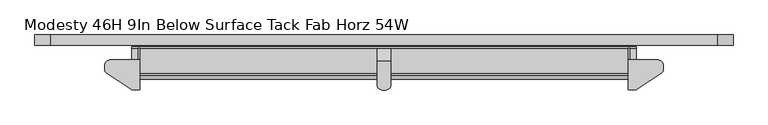
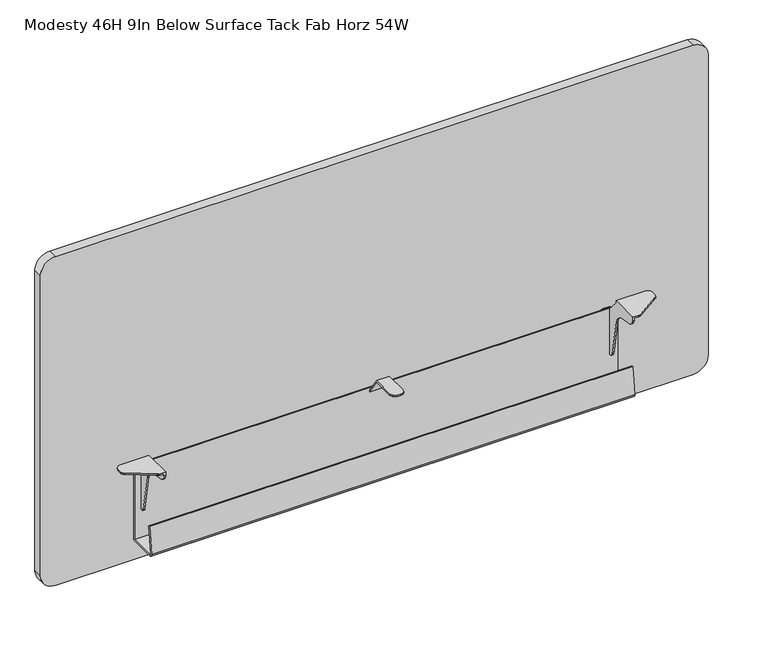
"""IFC4 building model written with IfcOpenShell, lengths in millimetres: furniture geometry, Modesty 46H 9In Below Surface Tack Fab Horz 54W."""

from ifc_helpers import new_model, si_unit, point, frame, frame_2d, origin, place, context, project, spatial, polyline, circle_curve, trimmed, segment, composite_curve, outline, extrude, faceted_brep, source, transform, mapped, element, save


def modesty_46h_9in_below_surface_tack_fab_horz_54w_2923bf15(model_context):
    return source(origin(), model_context, "Body", "SolidModel", [
        faceted_brep([(1202.1570723, -28.1940001, 1036.1420118), (1145.388081, -28.1940001, 1036.1420118), (1145.388081, -84.8360008, 1036.1420118), (1156.4913731, -84.8360008, 1036.1420118), (1158.3360279, -84.6556703, 1036.1420118), (1160.1108288, -84.1215187, 1036.1420118), (1161.748574, -83.2537619, 1036.1420118), (1207.4142732, -53.0282948, 1036.1420118), (1209.6968646, -50.905943, 1036.1420118), (1211.1721197, -48.1603598, 1036.1420118), (1211.6820723, -45.0855338, 1036.1420118), (1211.6820723, -37.7190004, 1036.1420118), (1210.4059692, -32.9564998, 1036.1420118), (1206.9195723, -29.470108, 1036.1420118), (1145.388081, -84.8360008, 1028.5105736), (1148.436069, -84.8360008, 1028.5105736), (1148.436069, -84.8360008, 1033.0940147), (1156.4913731, -84.8360008, 1033.0940147), (1148.436069, 0.0, 910.9200404), (1135.6090812, 0.0, 910.9200404), (1130.8465812, 0.0, 912.1961617), (1127.3601843, 0.0, 915.6825404), (1126.0840812, 0.0, 920.4450404), (1126.0840812, 0.0, 996.6450041), (1127.3601843, 0.0, 1001.4075041), (1130.8465812, 0.0, 1004.8939192), (1135.6090812, 0.0, 1006.1700041), (1148.436069, 0.0, 1006.1700041), (1148.436069, -28.1940001, 1033.0940147), (1202.1570723, -28.1940001, 1033.0940147), (1206.9195723, -29.470108, 1033.0940147), (1210.4059692, -32.9564998, 1033.0940147), (1211.6820723, -37.7190004, 1033.0940147), (1211.6820723, -45.0855338, 1033.0940147), (1211.1721197, -48.1603598, 1033.0940147), (1209.6968646, -50.905943, 1033.0940147), (1207.4142732, -53.0282948, 1033.0940147), (1161.748574, -83.2537619, 1033.0940147), (1160.1108288, -84.1215187, 1033.0940147), (1158.3360279, -84.6556703, 1033.0940147), (1148.436069, -83.485134, 1022.8108488), (1148.436069, -79.719916, 1018.3236227), (1148.436069, -74.3413335, 1016.0035608), (1148.436069, -48.1471565, 1011.3848021), (1148.436069, -38.6002931, 1007.592083), (1148.436069, -31.336431, 1000.3282095), (1148.436069, -27.5437042, 990.7813358), (1148.436069, -14.3872464, 916.1673582), (1148.436069, -13.2271995, 913.4780965), (1148.436069, -10.9835922, 911.5954716), (1148.436069, -8.1337173, 910.9200404), (1148.436069, -5.0799997, 1006.1700041), (1148.436069, -28.1940001, 1031.0620167), (1145.388081, -28.1940001, 1031.0620167), (1145.388081, -5.0799997, 1006.1700041), (1135.6090812, -3.0479994, 1006.1700041), (1145.388081, -3.0479994, 1006.1700041), (1145.388081, -79.719916, 1018.3236227), (1145.388081, -74.3413335, 1016.0035608), (1145.388081, -83.485134, 1022.8108488), (1145.388081, -8.1337173, 910.9200404), (1145.388081, -3.0479994, 910.9200404), (1135.6090812, -3.0479994, 910.9200404), (1145.388081, -10.9835922, 911.5954716), (1145.388081, -13.2271995, 913.4780965), (1145.388081, -14.3872464, 916.1673582), (1145.388081, -27.5437042, 990.7813358), (1145.388081, -31.336431, 1000.3282095), (1145.388081, -38.6002931, 1007.592083), (1145.388081, -48.1471565, 1011.3848021), (1130.8465812, -3.0479994, 1004.8939192), (1127.3601843, -3.0479994, 1001.4075041), (1126.0840812, -3.0479994, 996.6450041), (1126.0840812, -3.0479994, 920.4450404), (1127.3601843, -3.0479994, 915.6825404), (1130.8465812, -3.0479994, 912.1961617)], [[[0, 1, 2, 3, 4, 5, 6, 7, 8, 9, 10, 11, 12, 13]], [[3, 2, 14, 15, 16, 17]], [[18, 19, 20, 21, 22, 23, 24, 25, 26, 27]], [[28, 29, 30, 31, 32, 33, 34, 35, 36, 37, 38, 39, 17, 16]], [[16, 15, 40, 41, 42, 43, 44, 45, 46, 47, 48, 49, 50, 18, 27, 51, 52, 28]], [[29, 28, 52, 53, 1, 0]], [[13, 30, 29, 0]], [[12, 31, 30, 13]], [[11, 32, 31, 12]], [[10, 33, 32, 11]], [[9, 34, 33, 10]], [[8, 35, 34, 9]], [[7, 36, 35, 8]], [[6, 37, 36, 7]], [[5, 38, 37, 6]], [[4, 39, 38, 5]], [[3, 17, 39, 4]], [[51, 54, 53, 52]], [[27, 26, 55, 56, 54, 51]], [[41, 57, 58, 42]], [[40, 59, 57, 41]], [[15, 14, 59, 40]], [[50, 60, 61, 62, 19, 18]], [[49, 63, 60, 50]], [[48, 64, 63, 49]], [[47, 65, 64, 48]], [[46, 66, 65, 47]], [[45, 67, 66, 46]], [[44, 68, 67, 45]], [[43, 69, 68, 44]], [[42, 58, 69, 43]], [[61, 60, 63, 64, 65, 66, 67, 68, 69, 58, 57, 59, 14, 2, 1, 53, 54, 56]], [[56, 55, 70, 71, 72, 73, 74, 75, 62, 61]], [[70, 55, 26, 25]], [[25, 24, 71, 70]], [[24, 23, 72, 71]], [[23, 22, 73, 72]], [[22, 21, 74, 73]], [[21, 20, 75, 74]], [[20, 19, 62, 75]]]),
        faceted_brep([(166.4078114, -28.1940001, 1036.1420118), (161.6453114, -29.470108, 1036.1420118), (158.1589145, -32.9564998, 1036.1420118), (156.8828114, -37.7190004, 1036.1420118), (156.8828114, -45.0855338, 1036.1420118), (157.3927639, -48.1603598, 1036.1420118), (158.8680191, -50.905943, 1036.1420118), (161.1506105, -53.0282948, 1036.1420118), (206.8163097, -83.2537619, 1036.1420118), (208.4540549, -84.1215187, 1036.1420118), (210.2288557, -84.6556703, 1036.1420118), (212.0735106, -84.8360008, 1036.1420118), (223.1768027, -84.8360008, 1036.1420118), (223.1768027, -28.1940001, 1036.1420118), (212.0735106, -84.8360008, 1033.0940147), (220.1288147, -84.8360008, 1033.0940147), (220.1288147, -84.8360008, 1028.5105736), (223.1768027, -84.8360008, 1028.5105736), (220.1288147, 0.0, 910.9200404), (220.1288147, 0.0, 1006.1700041), (232.9558024, 0.0, 1006.1700041), (237.7183024, 0.0, 1004.8939192), (241.2046994, 0.0, 1001.4075041), (242.4808024, 0.0, 996.6450041), (242.4808024, 0.0, 920.4450404), (241.2046994, 0.0, 915.6825404), (237.7183024, 0.0, 912.1961617), (232.9558024, 0.0, 910.9200404), (220.1288147, -28.1940001, 1033.0940147), (210.2288557, -84.6556703, 1033.0940147), (208.4540549, -84.1215187, 1033.0940147), (206.8163097, -83.2537619, 1033.0940147), (161.1506105, -53.0282948, 1033.0940147), (158.8680191, -50.905943, 1033.0940147), (157.3927639, -48.1603598, 1033.0940147), (156.8828114, -45.0855338, 1033.0940147), (156.8828114, -37.7190004, 1033.0940147), (158.1589145, -32.9564998, 1033.0940147), (161.6453114, -29.470108, 1033.0940147), (166.4078114, -28.1940001, 1033.0940147), (220.1288147, -28.1940001, 1031.0620167), (220.1288147, -5.0799997, 1006.1700041), (220.1288147, -8.1337173, 910.9200404), (220.1288147, -10.9835922, 911.5954716), (220.1288147, -13.2271995, 913.4780965), (220.1288147, -14.3872464, 916.1673582), (220.1288147, -27.5437042, 990.7813358), (220.1288147, -31.336431, 1000.3282095), (220.1288147, -38.6002931, 1007.592083), (220.1288147, -48.1471565, 1011.3848021), (220.1288147, -74.3413335, 1016.0035608), (220.1288147, -79.719916, 1018.3236227), (220.1288147, -83.485134, 1022.8108488), (223.1768027, -28.1940001, 1031.0620167), (223.1768027, -5.0799997, 1006.1700041), (223.1768027, -3.0479994, 1006.1700041), (232.9558024, -3.0479994, 1006.1700041), (223.1768027, -74.3413335, 1016.0035608), (223.1768027, -79.719916, 1018.3236227), (223.1768027, -83.485134, 1022.8108488), (232.9558024, -3.0479994, 910.9200404), (223.1768027, -3.0479994, 910.9200404), (223.1768027, -8.1337173, 910.9200404), (223.1768027, -10.9835922, 911.5954716), (223.1768027, -13.2271995, 913.4780965), (223.1768027, -14.3872464, 916.1673582), (223.1768027, -27.5437042, 990.7813358), (223.1768027, -31.336431, 1000.3282095), (223.1768027, -38.6002931, 1007.592083), (223.1768027, -48.1471565, 1011.3848021), (237.7183024, -3.0479994, 912.1961617), (241.2046994, -3.0479994, 915.6825404), (242.4808024, -3.0479994, 920.4450404), (242.4808024, -3.0479994, 996.6450041), (241.2046994, -3.0479994, 1001.4075041), (237.7183024, -3.0479994, 1004.8939192)], [[[0, 1, 2, 3, 4, 5, 6, 7, 8, 9, 10, 11, 12, 13]], [[11, 14, 15, 16, 17, 12]], [[18, 19, 20, 21, 22, 23, 24, 25, 26, 27]], [[28, 15, 14, 29, 30, 31, 32, 33, 34, 35, 36, 37, 38, 39]], [[15, 28, 40, 41, 19, 18, 42, 43, 44, 45, 46, 47, 48, 49, 50, 51, 52, 16]], [[39, 0, 13, 53, 40, 28]], [[1, 0, 39, 38]], [[2, 1, 38, 37]], [[3, 2, 37, 36]], [[4, 3, 36, 35]], [[5, 4, 35, 34]], [[6, 5, 34, 33]], [[7, 6, 33, 32]], [[8, 7, 32, 31]], [[9, 8, 31, 30]], [[10, 9, 30, 29]], [[11, 10, 29, 14]], [[41, 40, 53, 54]], [[19, 41, 54, 55, 56, 20]], [[51, 50, 57, 58]], [[52, 51, 58, 59]], [[16, 52, 59, 17]], [[42, 18, 27, 60, 61, 62]], [[43, 42, 62, 63]], [[44, 43, 63, 64]], [[45, 44, 64, 65]], [[46, 45, 65, 66]], [[47, 46, 66, 67]], [[48, 47, 67, 68]], [[49, 48, 68, 69]], [[50, 49, 69, 57]], [[61, 55, 54, 53, 13, 12, 17, 59, 58, 57, 69, 68, 67, 66, 65, 64, 63, 62]], [[55, 61, 60, 70, 71, 72, 73, 74, 75, 56]], [[75, 21, 20, 56]], [[21, 75, 74, 22]], [[22, 74, 73, 23]], [[23, 73, 72, 24]], [[24, 72, 71, 25]], [[25, 71, 70, 26]], [[26, 70, 60, 27]]]),
        faceted_brep([(696.976, -30.7450483, 1033.0940147), (696.976, -3.0490599, 993.7744466), (696.976, -3.0490599, 919.4798918), (696.976, 0.0, 919.4798918), (696.976, 0.0, 993.772941), (696.976, -29.6671998, 1036.1420118), (696.976, -75.4379103, 1036.1420118), (696.976, -75.4379103, 1033.0940147), (671.576, -29.6671998, 1036.1420118), (671.576, 0.0, 993.772941), (671.576, 0.0, 919.4798014), (671.576, -3.0490599, 919.4798014), (671.576, -3.0490599, 993.7744466), (671.576, -30.7450483, 1033.0940147), (671.576, -75.4380007, 1033.0940147), (671.576, -75.4380007, 1036.1420118), (695.6998909, -80.2005007, 1033.0940147), (692.2134758, -83.6868931, 1033.0940147), (687.4509758, -84.9630007, 1033.0940147), (681.101, -84.9630007, 1033.0940147), (676.3385, -83.6868931, 1033.0940147), (672.8520849, -80.2005007, 1033.0940147), (672.8520849, -3.0490599, 914.7173014), (676.3385, -3.0490599, 911.2309226), (681.101, -3.0490599, 909.9548014), (687.4509758, -3.0490599, 909.9548014), (692.2134758, -3.0490599, 911.2309226), (695.6998909, -3.0490599, 914.7173014), (681.101, 0.0, 909.9548014), (687.4509758, 0.0, 909.9548014), (695.6998909, 0.0, 914.7173014), (692.2134758, 0.0, 911.2309226), (676.3385, 0.0, 911.2309226), (672.8520849, 0.0, 914.7173014), (672.8520849, -80.2005007, 1036.1420118), (676.3385, -83.6868931, 1036.1420118), (681.101, -84.9630007, 1036.1420118), (687.4509758, -84.9630007, 1036.1420118), (692.2134758, -83.6868931, 1036.1420118), (695.6998909, -80.2005007, 1036.1420118)], [[[0, 1, 2, 3, 4, 5, 6, 7]], [[8, 9, 10, 11, 12, 13, 14, 15]], [[13, 0, 7, 16, 17, 18, 19, 20, 21, 14]], [[1, 0, 13, 12]], [[1, 12, 11, 22, 23, 24, 25, 26, 27, 2]], [[25, 24, 28, 29]], [[9, 4, 3, 30, 31, 29, 28, 32, 33, 10]], [[5, 4, 9, 8]], [[5, 8, 15, 34, 35, 36, 37, 38, 39, 6]], [[19, 18, 37, 36]], [[21, 34, 15, 14]], [[35, 20, 19, 36]], [[34, 21, 20, 35]], [[17, 38, 37, 18]], [[39, 16, 7, 6]], [[38, 17, 16, 39]], [[23, 32, 28, 24]], [[32, 23, 22, 33]], [[33, 22, 11, 10]], [[27, 30, 3, 2]], [[30, 27, 26, 31]], [[31, 26, 25, 29]]]),
        extrude(outline(composite_curve([segment(polyline([(1493.3422, 1313.18), (1493.3422, 55.372)]), True, "CONTINUOUS"), segment(trimmed(circle_curve(frame_2d((1463.3702, 55.372)), 29.972), [point((1493.3422, 55.372))], [point((1463.3702, 25.4))], False, "CARTESIAN"), True, "CONTINUOUS"), segment(polyline([(1463.3702, 25.4), (836.4975282, 25.4)]), True, "CONTINUOUS"), segment(trimmed(circle_curve(frame_2d((836.4975282, 55.372)), 29.972), [point((836.4975282, 25.4))], [point((806.5255282, 55.372))], False, "CARTESIAN"), True, "CONTINUOUS"), segment(polyline([(806.5255282, 55.372), (806.5255282, 1313.18)]), True, "CONTINUOUS"), segment(trimmed(circle_curve(frame_2d((836.4975282, 1313.18)), 29.972), [point((806.5255282, 1313.18))], [point((836.4975282, 1343.152))], False, "CARTESIAN"), True, "CONTINUOUS"), segment(polyline([(836.4975282, 1343.152), (1463.3702, 1343.152)]), True, "CONTINUOUS"), segment(trimmed(circle_curve(frame_2d((1463.3702, 1313.18)), 29.972), [point((1463.3702, 1343.152))], [point((1493.3422, 1313.18))], False, "CARTESIAN"), True, "CONTINUOUS")], self_intersect=False)), frame((0.0, 0.0, 0.0), z_axis=(0.0, 1.0, 0.0), x_axis=(0.0, 0.0, 1.0)), (0.0, 0.0, 1.0), 19.05),
        extrude(outline(polyline([(-3.048, 1006.9319489), (-3.048, 849.8837951), (-58.2252166, 849.8837951), (-61.6526328, 850.8882032), (-63.9957855, 853.5836782), (-64.5134184, 857.1175105), (-56.9965739, 910.6026543), (-53.8524707, 910.1607844), (-61.3693175, 856.6756407), (-61.1105011, 854.9087427), (-59.9389247, 853.5609689), (-58.2252166, 853.058783), (-6.2210553, 853.058783), (-6.2210553, 1006.9319489), (-3.048, 1006.9319489)])), frame((207.7525353, 0.0, 0.0), z_axis=(1.0, 0.0, 0.0), x_axis=(0.0, 1.0, 0.0)), (0.0, 0.0, 1.0), 953.0587777),
    ])


if __name__ == "__main__":
    model = new_model("IFC4")
    model_context = context("Model", 3, world=origin())
    ifc_project = project(units=[si_unit("LENGTHUNIT", "METRE", prefix="MILLI")], contexts=[model_context])
    site = spatial("IfcSite", under=ifc_project)
    building = spatial("IfcBuilding", under=site)
    placement = place(None, origin())
    modesty_46h_9in_below_surface_tack_fab_horz_54w_shape = modesty_46h_9in_below_surface_tack_fab_horz_54w_2923bf15(model_context)
    element("IfcFurniture", 1, ObjectType="Modesty 46H 9In Below Surface Tack Fab Horz 54W", at=placement, inside=building, context=model_context, shape_type="MappedRepresentation", body=[
        mapped(modesty_46h_9in_below_surface_tack_fab_horz_54w_shape, transform((0.0, 0.0, 0.0), x_axis=(1.0, 0.0, 0.0), y_axis=(0.0, 1.0, 0.0), z_axis=(0.0, 0.0, 1.0))),
    ])
    save(model, "model.ifc")
